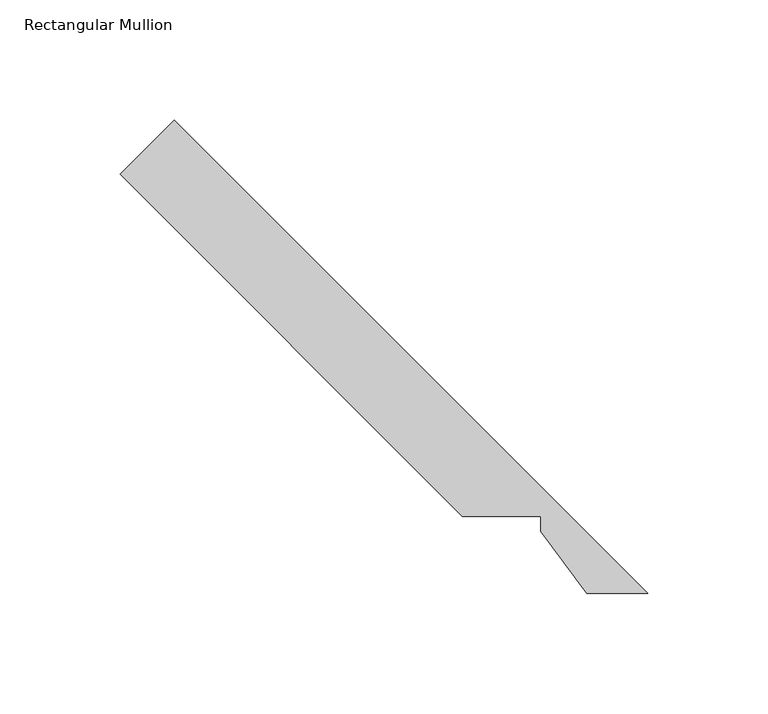
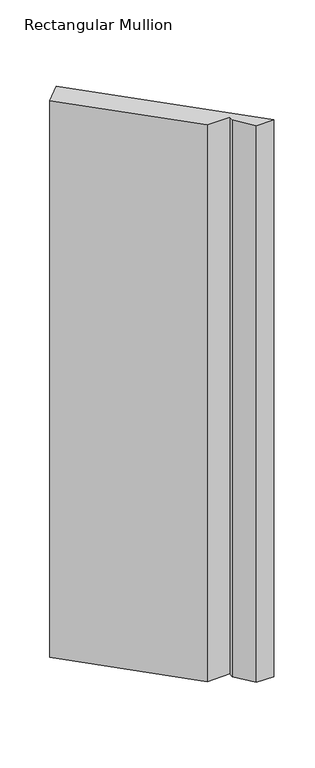
"""IFC4 building model written with IfcOpenShell, lengths in millimetres: member geometry, Rectangular Mullion."""

import ifcopenshell
import ifcopenshell.guid

model = None  # the IFC model being written
_history = None  # IfcOwnerHistory: only IFC2X3 demands one
_inside = {}  # id of a spatial element -> (the spatial element, [elements in it])
_under = {}  # id of a project, library or spatial element -> (it, [spatial elements below it])
_declared = {}  # id of a project -> (the project, [libraries it declares])
_typed = {}  # id of a type object -> (the type object, [elements of that type])
_made_of = {}  # id of a material, layer set ... -> (it, [elements and type objects made of it])


def new_model(schema):
    """Start an empty IFC model of exactly this schema.

    Asked for "IFC4X3", IfcOpenShell would pick the latest addendum, in which some entities
    have other attributes; the version numbers below select the first issue.
    IFC2X3 requires an IfcOwnerHistory on every rooted entity: one is made here for all.
    """
    global model, _history
    if schema == "IFC4X3":
        model = ifcopenshell.file(schema_version=(4, 3, 0, 0))
    else:
        model = ifcopenshell.file(schema=schema)
    _inside.clear()
    _under.clear()
    _declared.clear()
    _typed.clear()
    _made_of.clear()
    _history = None
    if model.schema == "IFC2X3":
        org = make("IfcOrganization", Name="unknown")
        user = make(
            "IfcPersonAndOrganization",
            ThePerson=make("IfcPerson", FamilyName="unknown"),
            TheOrganization=org,
        )
        app = make(
            "IfcApplication",
            ApplicationDeveloper=org,
            Version="unknown",
            ApplicationFullName="unknown",
            ApplicationIdentifier="unknown",
        )
        _history = make(
            "IfcOwnerHistory",
            OwningUser=user,
            OwningApplication=app,
            ChangeAction="ADDED",
            CreationDate=0,
        )
    return model


def make(cls, **values):
    """One entity of the class cls with the attributes given. An attribute that is None is left unset."""
    return model.create_entity(
        cls, **{name: value for name, value in values.items() if value is not None}
    )


def rooted(cls, **values):
    """An entity with a GlobalId (a new one), such as an element, a storey or a relation."""
    return make(cls, GlobalId=ifcopenshell.guid.new(), OwnerHistory=_history, **values)


def si_unit(unit_type, name, prefix=None):
    """IfcSIUnit, for example si_unit("LENGTHUNIT", "METRE", prefix="MILLI")."""
    return make("IfcSIUnit", UnitType=unit_type, Prefix=prefix, Name=name)


def assignment(units):
    """IfcUnitAssignment: the units of a project."""
    return None if units is None else make("IfcUnitAssignment", Units=units)


def point(xyz):
    """IfcCartesianPoint."""
    return None if xyz is None else make("IfcCartesianPoint", Coordinates=xyz)


def direction(xyz):
    """IfcDirection."""
    return None if xyz is None else make("IfcDirection", DirectionRatios=xyz)


def frame(location, z_axis=None, x_axis=None):
    """IfcAxis2Placement3D, a coordinate frame: its origin and axes. An axis left out is left unset."""
    return make(
        "IfcAxis2Placement3D",
        Location=point(location),
        Axis=direction(z_axis),
        RefDirection=direction(x_axis),
    )


def origin():
    """The frame at (0, 0, 0) with its axes left unset."""
    return frame((0.0, 0.0, 0.0))


def place(relative_to, where):
    """IfcLocalPlacement: puts the frame where relative to a parent placement (None: the world)."""
    return make(
        "IfcLocalPlacement", PlacementRelTo=relative_to, RelativePlacement=where
    )


def context(
    kind, dimensions, precision=None, world=None, true_north=None, identifier=None
):
    """IfcGeometricRepresentationContext, for example the 3D "Model" context."""
    return make(
        "IfcGeometricRepresentationContext",
        ContextIdentifier=identifier,
        ContextType=kind,
        CoordinateSpaceDimension=dimensions,
        Precision=precision,
        WorldCoordinateSystem=world,
        TrueNorth=true_north,
    )


def project(units=None, contexts=None):
    """IfcProject with its units and contexts."""
    return rooted(
        "IfcProject",
        Name="project",
        RepresentationContexts=contexts,
        UnitsInContext=assignment(units),
    )


def spatial(cls, under=None, at=None, **own):
    """A site, building, storey or space (cls), placed at a placement, below another one or the project."""
    s = rooted(cls, ObjectPlacement=at, **own)
    if under is not None:
        _under.setdefault(under.id(), (under, []))[1].append(s)
    return s


def polyline(points):
    """IfcPolyline through the points."""
    return make("IfcPolyline", Points=[point(p) for p in points])


def outline(outer, holes=None, kind="AREA"):
    """IfcArbitraryClosedProfileDef: a profile drawn as a closed curve; with holes, ...WithVoids."""
    if holes is None:
        return make("IfcArbitraryClosedProfileDef", ProfileType=kind, OuterCurve=outer)
    return make(
        "IfcArbitraryProfileDefWithVoids",
        ProfileType=kind,
        OuterCurve=outer,
        InnerCurves=holes,
    )


def extrude(swept, where, along, depth):
    """IfcExtrudedAreaSolid: the profile swept, set in the frame where, extruded along a direction by depth."""
    return make(
        "IfcExtrudedAreaSolid",
        SweptArea=swept,
        Position=where,
        ExtrudedDirection=direction(along),
        Depth=depth,
    )


def shape(context_of_items, identifier, shape_type, items):
    """IfcShapeRepresentation: the items that make up one representation, for example the "Body"."""
    return make(
        "IfcShapeRepresentation",
        ContextOfItems=context_of_items,
        RepresentationIdentifier=identifier,
        RepresentationType=shape_type,
        Items=items,
    )


def source(mapping_origin, context_of_items, identifier, shape_type, items):
    """IfcRepresentationMap: a shape defined once, which mapped items show again and again."""
    return make(
        "IfcRepresentationMap",
        MappingOrigin=mapping_origin,
        MappedRepresentation=shape(context_of_items, identifier, shape_type, items),
    )


def transform(
    local_origin,
    x_axis=None,
    y_axis=None,
    z_axis=None,
    scale=None,
    scale2=None,
    scale3=None,
    uniform=True,
):
    """IfcCartesianTransformationOperator3D, or its non-uniform kind. x_axis, y_axis, z_axis: its Axis1, 2, 3."""
    if uniform:
        return make(
            "IfcCartesianTransformationOperator3D",
            Axis1=direction(x_axis),
            Axis2=direction(y_axis),
            LocalOrigin=point(local_origin),
            Scale=scale,
            Axis3=direction(z_axis),
        )
    return make(
        "IfcCartesianTransformationOperator3DnonUniform",
        Axis1=direction(x_axis),
        Axis2=direction(y_axis),
        LocalOrigin=point(local_origin),
        Scale=scale,
        Axis3=direction(z_axis),
        Scale2=scale2,
        Scale3=scale3,
    )


def mapped(mapping_source, mapping_target):
    """IfcMappedItem: shows the shape of a source again, moved by a transform."""
    return make(
        "IfcMappedItem", MappingSource=mapping_source, MappingTarget=mapping_target
    )


def made_of(thing, what):
    """Note that an element or type object is made of a material, layer set ...; save() writes the relation."""
    if what is not None:
        _made_of.setdefault(what.id(), (what, []))[1].append(thing)
    return thing


def element(
    cls,
    number,
    at=None,
    inside=None,
    cuts=None,
    type_object=None,
    material=None,
    context=None,
    identifier="Body",
    shape_type=None,
    held_by="IfcProductDefinitionShape",
    body=None,
    shapes=None,
    **own,
):
    """One element of the class cls, such as IfcWall. Its Tag is "e" and its number.

    at: its placement. inside: the storey or other place that contains it. cuts: it is an
    opening in that element (IfcRelVoidsElement). A single representation is given by context,
    identifier, shape_type and body (its items); several are given by shapes. held_by: the class
    of the entity that holds the representations. save() writes the other relations.
    """
    e = rooted(cls, Tag="e%d" % number, ObjectPlacement=at, **own)
    if body is not None:
        shapes = [shape(context, identifier, shape_type, body)]
    if shapes is not None:
        e.Representation = make(held_by, Representations=shapes)
    if inside is not None:
        _inside.setdefault(inside.id(), (inside, []))[1].append(e)
    if cuts is not None:
        rooted(
            "IfcRelVoidsElement", RelatingBuildingElement=cuts, RelatedOpeningElement=e
        )
    if type_object is not None:
        _typed.setdefault(type_object.id(), (type_object, []))[1].append(e)
    return made_of(e, material)


def aggregate(whole, parts):
    """IfcRelAggregates: a whole, such as a stair, and the parts it consists of."""
    return rooted("IfcRelAggregates", RelatingObject=whole, RelatedObjects=parts)


def save(model, path):
    """Write the relations noted so far, then the file.

    IfcRelAggregates (storeys below a building ...), IfcRelContainedInSpatialStructure (elements
    in a storey), IfcRelDefinesByType, IfcRelAssociatesMaterial and IfcRelDeclares: one each for
    every whole, place, type object, material and project.
    """
    for whole, parts in _under.values():
        aggregate(whole, parts)
    for where, things in _inside.values():
        rooted(
            "IfcRelContainedInSpatialStructure",
            RelatedElements=things,
            RelatingStructure=where,
        )
    for kind, things in _typed.values():
        rooted("IfcRelDefinesByType", RelatedObjects=things, RelatingType=kind)
    for what, things in _made_of.values():
        rooted("IfcRelAssociatesMaterial", RelatedObjects=things, RelatingMaterial=what)
    for by, libraries in _declared.values():
        rooted("IfcRelDeclares", RelatingContext=by, RelatedDefinitions=libraries)
    model.write(path)


def rectangular_mullion_82502e75(model_context):
    return source(origin(), model_context, "Body", "SweptSolid", [
        extrude(outline(polyline([(-237.7497211, 192.8484405), (-215.2990808, 215.2990808), (-18.8048309, 18.8048309), (-44.0799324, 18.8048309), (-63.2548309, 44.4332829), (-63.2548309, 50.7832829), (-95.6897377, 50.7832829), (-237.7497211, 192.8484405)])), frame((0.0, 0.0, -838.1999984), z_axis=(0.0, 0.0, 1.0), x_axis=(1.0, 0.0, 0.0)), (0.0, 0.0, 1.0), 838.1999984),
    ])


if __name__ == "__main__":
    model = new_model("IFC4")
    model_context = context("Model", 3, world=origin())
    ifc_project = project(units=[si_unit("LENGTHUNIT", "METRE", prefix="MILLI")], contexts=[model_context])
    site = spatial("IfcSite", under=ifc_project)
    building = spatial("IfcBuilding", under=site)
    placement = place(None, origin())
    rectangular_mullion_shape = rectangular_mullion_82502e75(model_context)
    element("IfcMember", 1, ObjectType="Rectangular Mullion", at=placement, inside=building, context=model_context, shape_type="MappedRepresentation", body=[
        mapped(rectangular_mullion_shape, transform((0.0, 0.0, 0.0), x_axis=(1.0, 0.0, 0.0), y_axis=(0.0, 1.0, 0.0), z_axis=(0.0, 0.0, 1.0))),
    ])
    save(model, "model.ifc")
